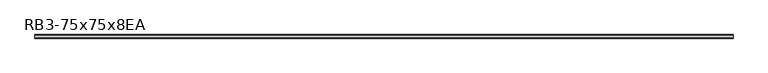
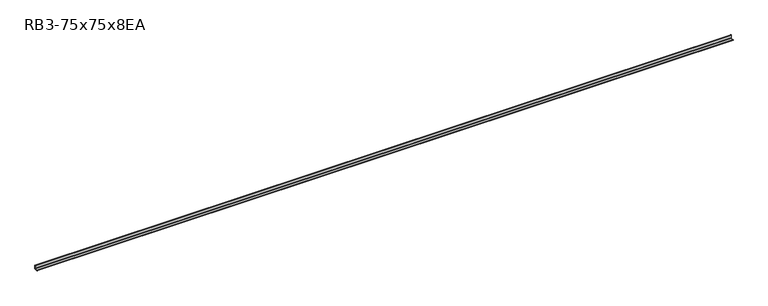
"""IFC4 building model written with IfcOpenShell, lengths in millimetres: member geometry, RB3-75x75x8EA."""

from ifc_helpers import new_model, si_unit, point, frame, frame_2d, origin, place, context, project, spatial, polyline, circle_curve, trimmed, segment, composite_curve, outline, extrude, source, transform, mapped, element, save


def rb3_75x75x8ea_c1143a24(model_context):
    return source(origin(), model_context, "Body", "SweptSolid", [
        extrude(outline(composite_curve([segment(polyline([(21.3, -21.3), (-53.7, -21.3), (-53.7, -18.3)]), True, "CONTINUOUS"), segment(trimmed(circle_curve(frame_2d((-48.7, -18.3)), 5.0), [point((-53.7, -18.3))], [point((-48.7, -13.3))], False, "CARTESIAN"), True, "CONTINUOUS"), segment(polyline([(-48.7, -13.3), (5.3, -13.3)]), True, "CONTINUOUS"), segment(trimmed(circle_curve(frame_2d((5.3, -5.3)), 8.0), [point((5.3, -13.3))], [point((13.3, -5.3))], True, "CARTESIAN"), True, "CONTINUOUS"), segment(polyline([(13.3, -5.3), (13.3, 48.7)]), True, "CONTINUOUS"), segment(trimmed(circle_curve(frame_2d((18.3, 48.7)), 5.0), [point((13.3, 48.7))], [point((18.3, 53.7))], False, "CARTESIAN"), True, "CONTINUOUS"), segment(polyline([(18.3, 53.7), (21.3, 53.7), (21.3, -21.3)]), True, "CONTINUOUS")], self_intersect=False)), frame((-7211.0706989, 0.0, 0.0), z_axis=(1.0, 0.0, 0.0), x_axis=(0.0, 1.0, 0.0)), (0.0, 0.0, 1.0), 14485.0706989),
    ])


if __name__ == "__main__":
    model = new_model("IFC4")
    model_context = context("Model", 3, world=origin())
    ifc_project = project(units=[si_unit("LENGTHUNIT", "METRE", prefix="MILLI")], contexts=[model_context])
    site = spatial("IfcSite", under=ifc_project)
    building = spatial("IfcBuilding", under=site)
    placement = place(None, origin())
    rb3_75x75x8ea_shape = rb3_75x75x8ea_c1143a24(model_context)
    element("IfcMember", 1, ObjectType="RB3-75x75x8EA", at=placement, inside=building, context=model_context, shape_type="MappedRepresentation", body=[
        mapped(rb3_75x75x8ea_shape, transform((0.0, 0.0, 0.0), x_axis=(1.0, 0.0, 0.0), y_axis=(0.0, 1.0, 0.0), z_axis=(0.0, 0.0, 1.0))),
    ])
    save(model, "model.ifc")
